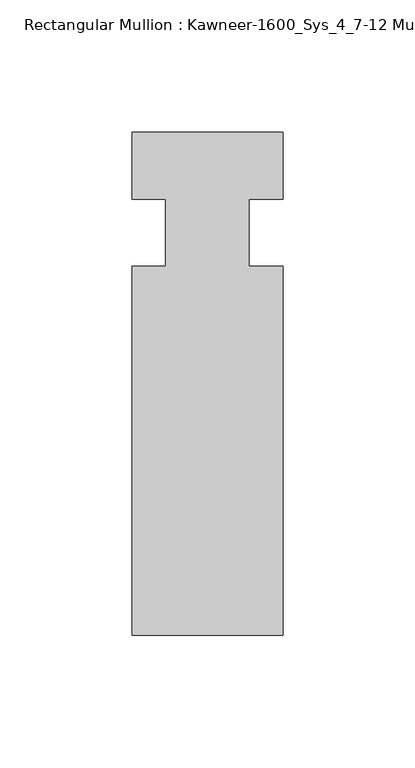
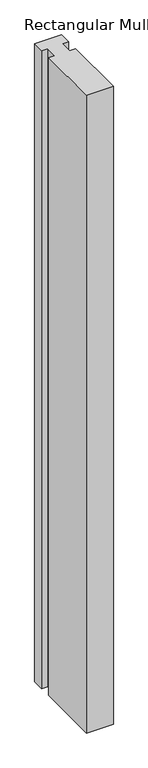
"""IFC4 building model written with IfcOpenShell, lengths in millimetres: member geometry, Rectangular Mullion : Kawneer-1600_Sys_4_7-12 Mullion_Horizontal."""

from ifc_helpers import new_model, si_unit, frame, origin, place, context, project, spatial, polyline, outline, extrude, source, transform, mapped, element, save


def rectangular_mullion_kawneer_1600_sys_4_7_12_mullion_1819d72a(model_context):
    return source(origin(), model_context, "Body", "SweptSolid", [
        extrude(outline(polyline([(32.9094027, -152.4), (-24.2405973, -152.4), (-24.2405973, -12.7), (-11.5405973, -12.7), (-11.5405973, 12.7), (-24.2405973, 12.7), (-24.2405973, 38.1), (32.9094027, 38.1), (32.9094027, 12.7), (20.2076322, 12.7), (20.2076322, -12.7), (32.9094027, -12.7), (32.9094027, -152.4)])), frame((0.0, 0.0, -1433.9405973), z_axis=(0.0, 0.0, 1.0), x_axis=(1.0, 0.0, 0.0)), (0.0, 0.0, 1.0), 1433.9405973),
    ])


if __name__ == "__main__":
    model = new_model("IFC4")
    model_context = context("Model", 3, world=origin())
    ifc_project = project(units=[si_unit("LENGTHUNIT", "METRE", prefix="MILLI")], contexts=[model_context])
    site = spatial("IfcSite", under=ifc_project)
    building = spatial("IfcBuilding", under=site)
    placement = place(None, origin())
    rectangular_mullion_kawneer_1600_sys_4_7_12_mullion_shape = rectangular_mullion_kawneer_1600_sys_4_7_12_mullion_1819d72a(model_context)
    element("IfcMember", 1, ObjectType="Rectangular Mullion : Kawneer-1600_Sys_4_7-12 Mullion_Horizontal", at=placement, inside=building, context=model_context, shape_type="MappedRepresentation", body=[
        mapped(rectangular_mullion_kawneer_1600_sys_4_7_12_mullion_shape, transform((0.0, 0.0, 0.0), x_axis=(1.0, 0.0, 0.0), y_axis=(0.0, 1.0, 0.0), z_axis=(0.0, 0.0, 1.0))),
    ])
    save(model, "model.ifc")
